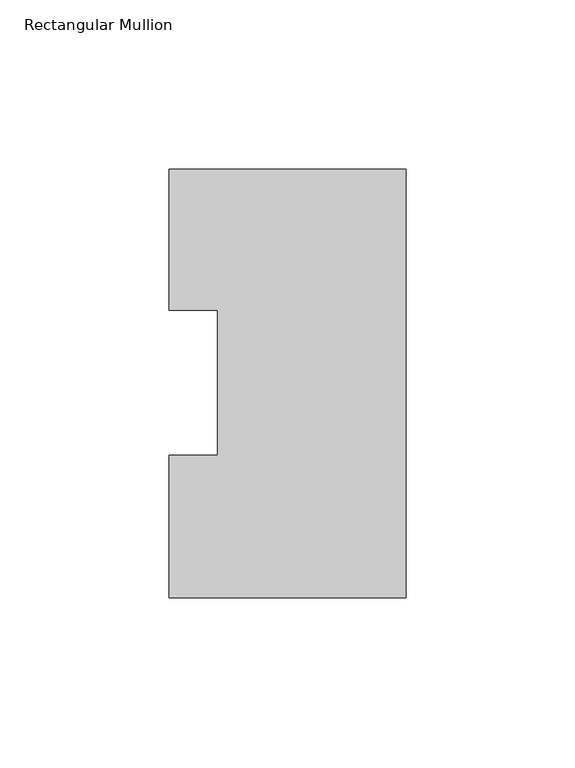
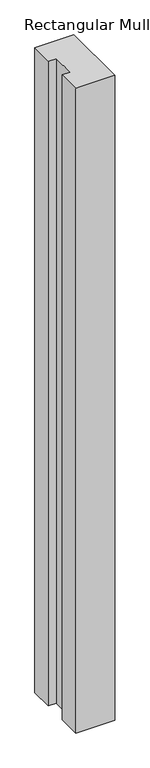
"""IFC4 building model written with IfcOpenShell, lengths in millimetres: member geometry, Rectangular Mullion."""

from ifc_helpers import new_model, si_unit, frame, origin, place, context, project, spatial, polyline, outline, extrude, source, transform, mapped, element, save


def rectangular_mullion_64c9a5b2(model_context):
    return source(origin(), model_context, "Body", "SweptSolid", [
        extrude(outline(polyline([(-69.85, 0.04445), (-69.85, 42.08145), (-55.5625, 42.08145), (-55.5625, 84.93125), (-69.85, 84.93125), (-69.85, 126.53645), (0.0, 126.53645), (0.0, 0.04445), (-69.85, 0.04445)])), frame((0.0, 0.0, -1219.2), z_axis=(0.0, 0.0, 1.0), x_axis=(1.0, 0.0, 0.0)), (0.0, 0.0, 1.0), 1219.2),
    ])


if __name__ == "__main__":
    model = new_model("IFC4")
    model_context = context("Model", 3, world=origin())
    ifc_project = project(units=[si_unit("LENGTHUNIT", "METRE", prefix="MILLI")], contexts=[model_context])
    site = spatial("IfcSite", under=ifc_project)
    building = spatial("IfcBuilding", under=site)
    placement = place(None, origin())
    rectangular_mullion_shape = rectangular_mullion_64c9a5b2(model_context)
    element("IfcMember", 1, ObjectType="Rectangular Mullion", at=placement, inside=building, context=model_context, shape_type="MappedRepresentation", body=[
        mapped(rectangular_mullion_shape, transform((0.0, 0.0, 0.0), x_axis=(1.0, 0.0, 0.0), y_axis=(0.0, 1.0, 0.0), z_axis=(0.0, 0.0, 1.0))),
    ])
    save(model, "model.ifc")
